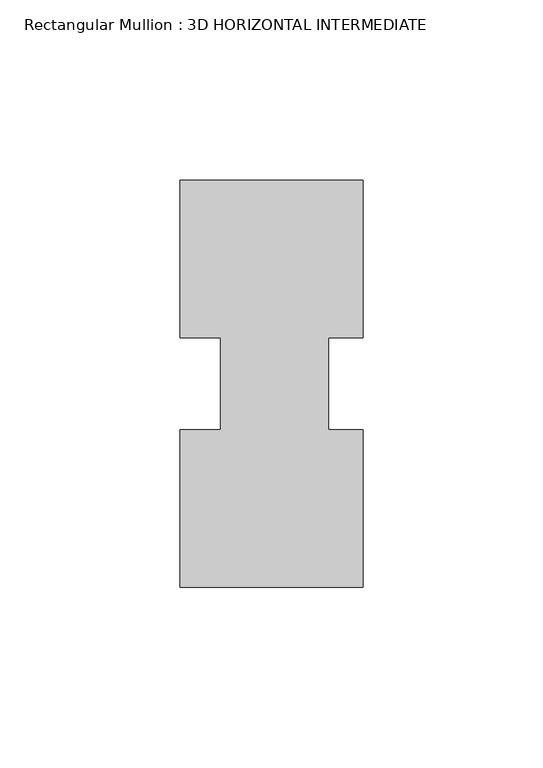
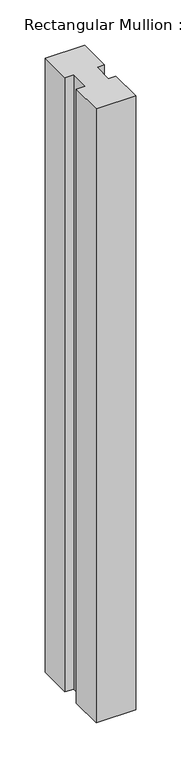
"""IFC4 building model written with IfcOpenShell, lengths in millimetres: member geometry, Rectangular Mullion : 3D HORIZONTAL INTERMEDIATE."""

from ifc_helpers import new_model, si_unit, frame, origin, place, context, project, spatial, polyline, outline, extrude, source, transform, mapped, element, save


def rectangular_mullion_3d_horizontal_intermediate_cc44d8b8(model_context):
    return source(origin(), model_context, "Body", "SweptSolid", [
        extrude(outline(polyline([(24.4527147, 12.7295207), (14.9404146, 12.7295207), (14.9404146, -12.7581776), (24.4527147, -12.7581776), (24.4527147, -56.5435115), (-26.3472853, -56.5435115), (-26.3472853, -12.7581776), (-14.9939298, -12.7581776), (-14.9939298, 12.7295207), (-26.3282353, 12.7295207), (-26.3282353, 56.5372885), (24.4527147, 56.5372885), (24.4527147, 12.7295207)])), frame((0.0, 0.0, -832.0293076), z_axis=(0.0, 0.0, 1.0), x_axis=(1.0, 0.0, 0.0)), (0.0, 0.0, 1.0), 832.0293076),
    ])


if __name__ == "__main__":
    model = new_model("IFC4")
    model_context = context("Model", 3, world=origin())
    ifc_project = project(units=[si_unit("LENGTHUNIT", "METRE", prefix="MILLI")], contexts=[model_context])
    site = spatial("IfcSite", under=ifc_project)
    building = spatial("IfcBuilding", under=site)
    placement = place(None, origin())
    rectangular_mullion_3d_horizontal_intermediate_shape = rectangular_mullion_3d_horizontal_intermediate_cc44d8b8(model_context)
    element("IfcMember", 1, ObjectType="Rectangular Mullion : 3D HORIZONTAL INTERMEDIATE", at=placement, inside=building, context=model_context, shape_type="MappedRepresentation", body=[
        mapped(rectangular_mullion_3d_horizontal_intermediate_shape, transform((0.0, 0.0, 0.0), x_axis=(1.0, 0.0, 0.0), y_axis=(0.0, 1.0, 0.0), z_axis=(0.0, 0.0, 1.0))),
    ])
    save(model, "model.ifc")
